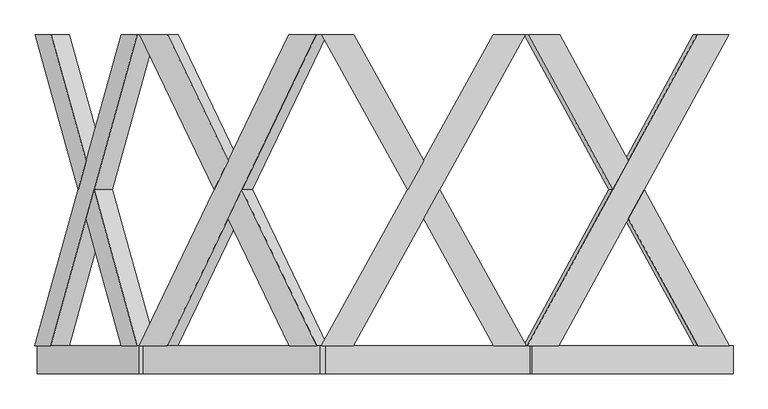
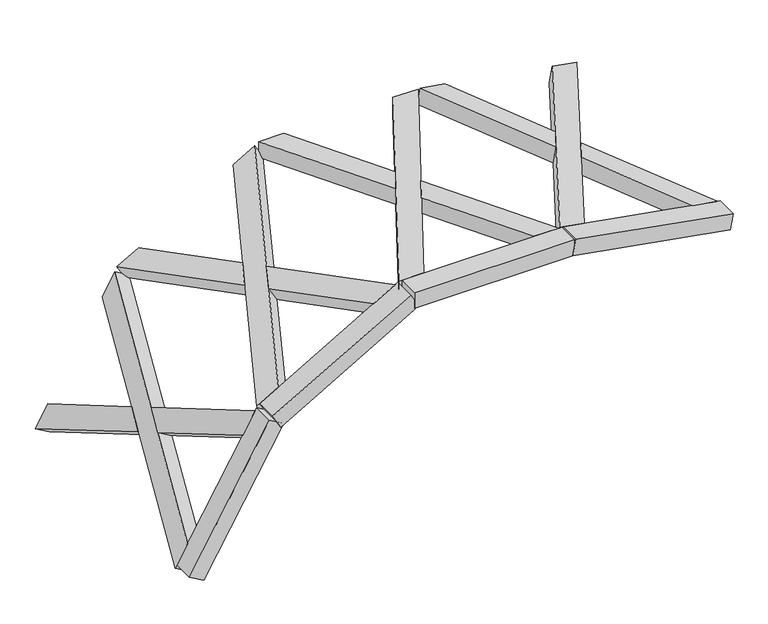
"""IFC4 building model written with IfcOpenShell, lengths in millimetres: proxy geometry."""

from ifc_helpers import new_model, si_unit, frame, origin, place, context, project, spatial, polyline, outline, extrude, faceted_brep, source, transform, mapped, element, save


def generic_models_d73b9821(model_context):
    return source(origin(), model_context, "Body", "SolidModel", [
        faceted_brep([(4851.5212587, 100.0, 1671.8894072), (4626.3244686, 100.0, 1711.5976773), (3414.6260614, 2319.6837757, 1925.2527989), (3639.8228515, 2319.6837757, 1885.5445289), (3440.6732881, 2319.6837757, 2072.9739619), (4044.1877349, 1214.1188776, 1966.5580817), (4156.78613, 1420.3854116, 1946.7039466), (3665.8700782, 2319.6837757, 2033.2656918), (4877.5684854, 100.0, 1819.6105702), (4269.384525, 1214.1188776, 1926.8498116), (4156.78613, 1007.8523437, 1946.7039466), (4652.3716953, 100.0, 1859.3188402), (4143.7625166, 1007.8523437, 1872.8433652), (4031.1641216, 1214.1188776, 1892.6975002), (4143.7625166, 1420.3854116, 1872.8433652), (4256.3609117, 1214.1188776, 1852.9892301)], [[[0, 1, 2, 3]], [[4, 5, 6, 7]], [[8, 9, 10, 11]], [[0, 8, 11, 1]], [[1, 11, 10, 12, 13, 5, 4, 2]], [[2, 4, 7, 3]], [[3, 7, 6, 14, 15, 9, 8, 0]], [[13, 12, 15, 14]], [[12, 10, 9, 15]], [[14, 6, 5, 13]]]),
        faceted_brep([(3409.9565479, 100.0, 1926.0761602), (4018.1405083, 1214.1188776, 1818.8369187), (4130.7389033, 1007.8523437, 1798.9827837), (3635.153338, 100.0, 1886.3678901), (4846.8517452, 2319.6837757, 1672.7127684), (4243.3372984, 1214.1188776, 1779.1286487), (4130.7389033, 1420.3854116, 1798.9827837), (4621.6549551, 2319.6837757, 1712.4210385), (3436.0037746, 100.0, 2073.7973231), (3661.2005646, 100.0, 2034.089053), (4872.8989719, 2319.6837757, 1820.4339314), (4647.7021818, 2319.6837757, 1860.1422014), (4143.7625166, 1007.8523437, 1872.8433652), (4256.3609117, 1214.1188776, 1852.9892301), (4143.7625166, 1420.3854116, 1872.8433652), (4031.1641216, 1214.1188776, 1892.6975002)], [[[0, 1, 2, 3]], [[4, 5, 6, 7]], [[8, 9, 10, 11]], [[3, 9, 8, 0]], [[9, 3, 2, 12, 13, 5, 4, 10]], [[7, 11, 10, 4]], [[11, 7, 6, 14, 15, 1, 0, 8]], [[13, 12, 15, 14]], [[12, 2, 1, 15]], [[14, 6, 5, 13]]]),
        extrude(outline(polyline([(0.0, 200.0), (1460.0, 200.0), (1460.0, 0.0), (0.0, 0.0), (0.0, 200.0)])), frame((4879.1927956, 100.0, 1667.0101687), z_axis=(0.1736481776669336, 0.0, 0.9848077530122076), x_axis=(-0.9848077530122076, 0.0, 0.1736481776669336)), (0.0, 0.0, 1.0), 150.0),
        faceted_brep([(3426.2986746, 100.0, 1919.3970895), (3197.627861, 100.0, 1919.3970895), (1967.2370528, 2319.6837757, 1919.3970895), (2195.9078663, 2319.6837757, 1919.3970895), (1967.2370528, 2319.6837757, 2069.3970895), (2580.0616827, 1214.1188776, 2069.3970895), (2694.3970895, 1420.3854116, 2069.3970895), (2195.9078663, 2319.6837757, 2069.3970895), (3426.2986746, 100.0, 2069.3970895), (2808.7324963, 1214.1188776, 2069.3970895), (2694.3970895, 1007.8523437, 2069.3970895), (3197.627861, 100.0, 2069.3970895), (2694.3970895, 1007.8523437, 1994.3970895), (2580.0616827, 1214.1188776, 1994.3970895), (2694.3970895, 1420.3854116, 1994.3970895), (2808.7324963, 1214.1188776, 1994.3970895)], [[[0, 1, 2, 3]], [[4, 5, 6, 7]], [[8, 9, 10, 11]], [[0, 8, 11, 1]], [[1, 11, 10, 12, 13, 5, 4, 2]], [[2, 4, 7, 3]], [[3, 7, 6, 14, 15, 9, 8, 0]], [[13, 12, 15, 14]], [[12, 10, 9, 15]], [[14, 6, 5, 13]]]),
        faceted_brep([(1962.4955045, 100.0, 1919.3970895), (2580.0616827, 1214.1188776, 1919.3970895), (2694.3970895, 1007.8523437, 1919.3970895), (2191.166318, 100.0, 1919.3970895), (3421.5571263, 2319.6837757, 1919.3970895), (2808.7324963, 1214.1188776, 1919.3970895), (2694.3970895, 1420.3854116, 1919.3970895), (3192.8863127, 2319.6837757, 1919.3970895), (1962.4955045, 100.0, 2069.3970895), (2191.166318, 100.0, 2069.3970895), (3421.5571263, 2319.6837757, 2069.3970895), (3192.8863127, 2319.6837757, 2069.3970895), (2694.3970895, 1007.8523437, 1994.3970895), (2808.7324963, 1214.1188776, 1994.3970895), (2694.3970895, 1420.3854116, 1994.3970895), (2580.0616827, 1214.1188776, 1994.3970895)], [[[0, 1, 2, 3]], [[4, 5, 6, 7]], [[8, 9, 10, 11]], [[3, 9, 8, 0]], [[9, 3, 2, 12, 13, 5, 4, 10]], [[7, 11, 10, 4]], [[11, 7, 6, 14, 15, 1, 0, 8]], [[13, 12, 15, 14]], [[12, 2, 1, 15]], [[14, 6, 5, 13]]]),
        extrude(outline(polyline([(3454.3970895, -100.0), (1994.3970895, -100.0), (1994.3970895, 100.0), (3454.3970895, 100.0), (3454.3970895, -100.0)])), frame((0.0, 0.0, 1919.3970895), z_axis=(0.0, 0.0, 1.0), x_axis=(1.0, 0.0, 0.0)), (0.0, 0.0, 1.0), 150.0),
        faceted_brep([(2007.5631484, 100.0, 1915.3959768), (1809.5284147, 100.0, 1801.06057), (743.9787182, 2319.6837757, 1185.8651659), (942.0134518, 2319.6837757, 1300.2005726), (668.9787182, 2319.6837757, 1315.7689764), (1199.7004158, 1214.1188776, 1622.1812914), (1298.7177826, 1420.3854116, 1679.3489948), (867.0134518, 2319.6837757, 1430.1043832), (1932.5631484, 100.0, 2045.2997873), (1397.7351495, 1214.1188776, 1736.5166982), (1298.7177826, 1007.8523437, 1679.3489948), (1734.5284147, 100.0, 1930.9643805), (1336.2177826, 1007.8523437, 1614.3970895), (1237.2004158, 1214.1188776, 1557.2293861), (1336.2177826, 1420.3854116, 1614.3970895), (1435.2351495, 1214.1188776, 1671.5647929)], [[[0, 1, 2, 3]], [[4, 5, 6, 7]], [[8, 9, 10, 11]], [[0, 8, 11, 1]], [[1, 11, 10, 12, 13, 5, 4, 2]], [[2, 4, 7, 3]], [[3, 7, 6, 14, 15, 9, 8, 0]], [[13, 12, 15, 14]], [[12, 10, 9, 15]], [[14, 6, 5, 13]]]),
        faceted_brep([(739.8724169, 100.0, 1183.4943917), (1274.7004158, 1214.1188776, 1492.2774808), (1373.7177826, 1007.8523437, 1549.4451842), (937.9071506, 100.0, 1297.8297985), (2003.4568471, 2319.6837757, 1913.0252026), (1472.7351495, 1214.1188776, 1606.6128876), (1373.7177826, 1420.3854116, 1549.4451842), (1805.4221135, 2319.6837757, 1798.6897958), (664.8724169, 100.0, 1313.3982023), (862.9071506, 100.0, 1427.7336091), (1928.4568471, 2319.6837757, 2042.9290132), (1730.4221135, 2319.6837757, 1928.5936064), (1336.2177826, 1007.8523437, 1614.3970895), (1435.2351495, 1214.1188776, 1671.5647929), (1336.2177826, 1420.3854116, 1614.3970895), (1237.2004158, 1214.1188776, 1557.2293861)], [[[0, 1, 2, 3]], [[4, 5, 6, 7]], [[8, 9, 10, 11]], [[3, 9, 8, 0]], [[9, 3, 2, 12, 13, 5, 4, 10]], [[7, 11, 10, 4]], [[11, 7, 6, 14, 15, 1, 0, 8]], [[13, 12, 15, 14]], [[12, 2, 1, 15]], [[14, 6, 5, 13]]]),
        extrude(outline(polyline([(0.0, 200.0), (1460.0, 200.0), (1460.0, 0.0), (0.0, 0.0), (0.0, 200.0)])), frame((2031.8970895, 100.0, 1929.4451842), z_axis=(-0.4999999999999996, 0.0, 0.8660254037844389), x_axis=(-0.8660254037844389, 0.0, -0.4999999999999996)), (0.0, 0.0, 1.0), 150.0),
        faceted_brep([(780.9026978, 100.0, 1202.5631484), (666.567291, 100.0, 1004.5284147), (51.3718869, 2319.6837757, -61.0212818), (165.7072937, 2319.6837757, 137.0134518), (-78.5319237, 2319.6837757, 13.9787182), (227.8803913, 1214.1188776, 544.7004158), (285.0480947, 1420.3854116, 643.7177826), (35.8034831, 2319.6837757, 212.0134518), (650.9988872, 100.0, 1277.5631484), (342.2157981, 1214.1188776, 742.7351495), (285.0480947, 1007.8523437, 643.7177826), (536.6634805, 100.0, 1079.5284147), (350.0, 1007.8523437, 606.2177826), (292.8322966, 1214.1188776, 507.2004158), (350.0, 1420.3854116, 606.2177826), (407.1677034, 1214.1188776, 705.2351495)], [[[0, 1, 2, 3]], [[4, 5, 6, 7]], [[8, 9, 10, 11]], [[0, 8, 11, 1]], [[1, 11, 10, 12, 13, 5, 4, 2]], [[2, 4, 7, 3]], [[3, 7, 6, 14, 15, 9, 8, 0]], [[13, 12, 15, 14]], [[12, 10, 9, 15]], [[14, 6, 5, 13]]]),
        faceted_brep([(49.0011128, 100.0, -65.1275831), (357.7842019, 1214.1188776, 469.7004158), (414.9519053, 1007.8523437, 568.7177826), (163.3365195, 100.0, 132.9071506), (778.5319237, 2319.6837757, 1198.4568471), (472.1196087, 1214.1188776, 667.7351495), (414.9519053, 1420.3854116, 568.7177826), (664.1965169, 2319.6837757, 1000.4221135), (-80.9026978, 100.0, 9.8724169), (33.432709, 100.0, 207.9071506), (648.6281131, 2319.6837757, 1273.4568471), (534.2927063, 2319.6837757, 1075.4221135), (350.0, 1007.8523437, 606.2177826), (407.1677034, 1214.1188776, 705.2351495), (350.0, 1420.3854116, 606.2177826), (292.8322966, 1214.1188776, 507.2004158)], [[[0, 1, 2, 3]], [[4, 5, 6, 7]], [[8, 9, 10, 11]], [[3, 9, 8, 0]], [[9, 3, 2, 12, 13, 5, 4, 10]], [[7, 11, 10, 4]], [[11, 7, 6, 14, 15, 1, 0, 8]], [[13, 12, 15, 14]], [[12, 2, 1, 15]], [[14, 6, 5, 13]]]),
        extrude(outline(polyline([(-148.3871943, 0.0), (-348.3871943, 0.0), (-348.3871943, 150.0), (-148.3871943, 150.0), (-148.3871943, 0.0)])), frame((64.9519053, 248.3871943, -37.5), z_axis=(0.5000000000000009, 0.0, 0.8660254037844383), x_axis=(0.0, 1.0, 0.0)), (0.0, 0.0, 1.0), 1460.0),
    ])


if __name__ == "__main__":
    model = new_model("IFC4")
    model_context = context("Model", 3, world=origin())
    ifc_project = project(units=[si_unit("LENGTHUNIT", "METRE", prefix="MILLI")], contexts=[model_context])
    site = spatial("IfcSite", under=ifc_project)
    building = spatial("IfcBuilding", under=site)
    placement = place(None, origin())
    generic_models_shape = generic_models_d73b9821(model_context)
    element("IfcBuildingElementProxy", 1, Name="Generic Models", at=placement, inside=building, context=model_context, shape_type="MappedRepresentation", body=[
        mapped(generic_models_shape, transform((0.0, 0.0, 0.0), x_axis=(1.0, 0.0, 0.0), y_axis=(0.0, 1.0, 0.0), z_axis=(0.0, 0.0, 1.0))),
    ])
    save(model, "model.ifc")
